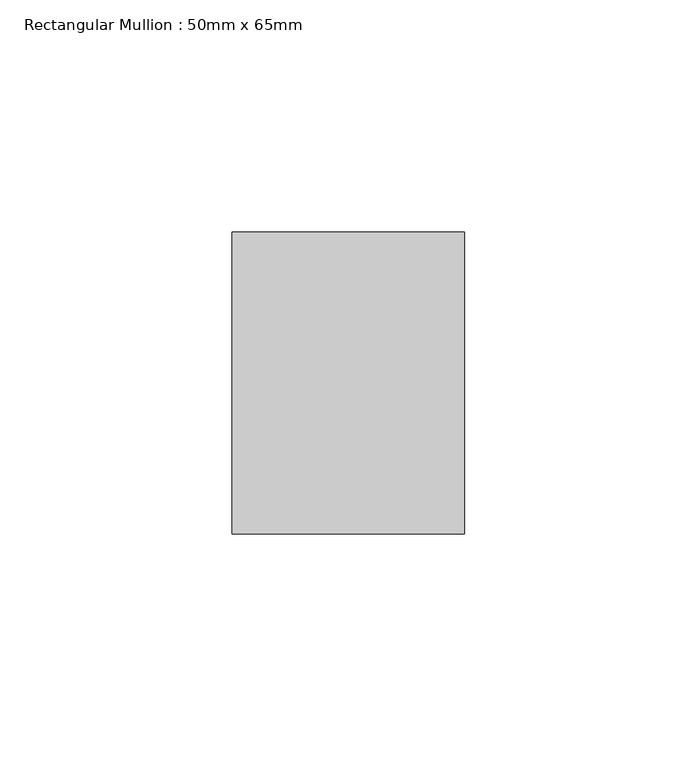
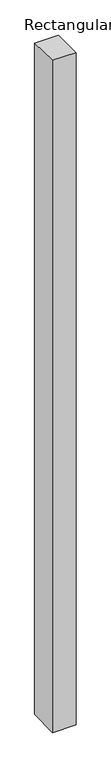
"""IFC4 building model written with IfcOpenShell, lengths in millimetres: member geometry, Rectangular Mullion : 50mm x 65mm."""

from ifc_helpers import new_model, si_unit, origin, place, context, project, spatial, faceted_brep, source, transform, mapped, element, save


def rectangular_mullion_50mm_x_65mm_0e71cdf3(model_context):
    return source(origin(), model_context, "Body", "Brep", [
        faceted_brep([(-25.0, 32.5, -0.5637245), (25.0, 32.5, -0.5637252), (25.0, 32.5, -1499.5030035), (-25.0, 32.5, -1499.503004), (-25.0, -32.5, 0.5637252), (-25.0, -32.5, -1500.4963596), (25.0, -32.5, 0.5637245), (25.0, -32.5, -1500.4963591)], [[[0, 1, 2, 3]], [[4, 0, 3, 5]], [[6, 4, 5, 7]], [[1, 6, 7, 2]], [[1, 0, 4, 6]], [[2, 7, 5, 3]]]),
    ])


if __name__ == "__main__":
    model = new_model("IFC4")
    model_context = context("Model", 3, world=origin())
    ifc_project = project(units=[si_unit("LENGTHUNIT", "METRE", prefix="MILLI")], contexts=[model_context])
    site = spatial("IfcSite", under=ifc_project)
    building = spatial("IfcBuilding", under=site)
    placement = place(None, origin())
    rectangular_mullion_50mm_x_65mm_shape = rectangular_mullion_50mm_x_65mm_0e71cdf3(model_context)
    element("IfcMember", 1, ObjectType="Rectangular Mullion : 50mm x 65mm", at=placement, inside=building, context=model_context, shape_type="MappedRepresentation", body=[
        mapped(rectangular_mullion_50mm_x_65mm_shape, transform((0.0, 0.0, 0.0), x_axis=(1.0, 0.0, 0.0), y_axis=(0.0, 1.0, 0.0), z_axis=(0.0, 0.0, 1.0))),
    ])
    save(model, "model.ifc")
